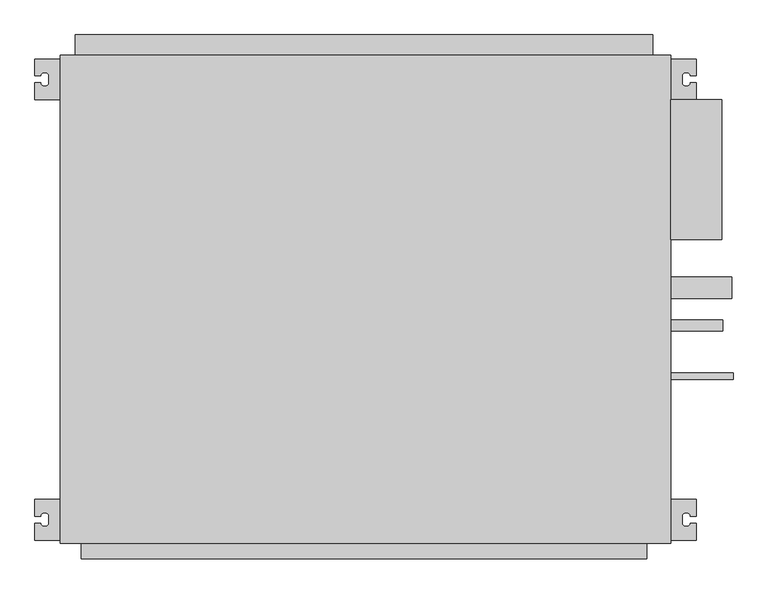
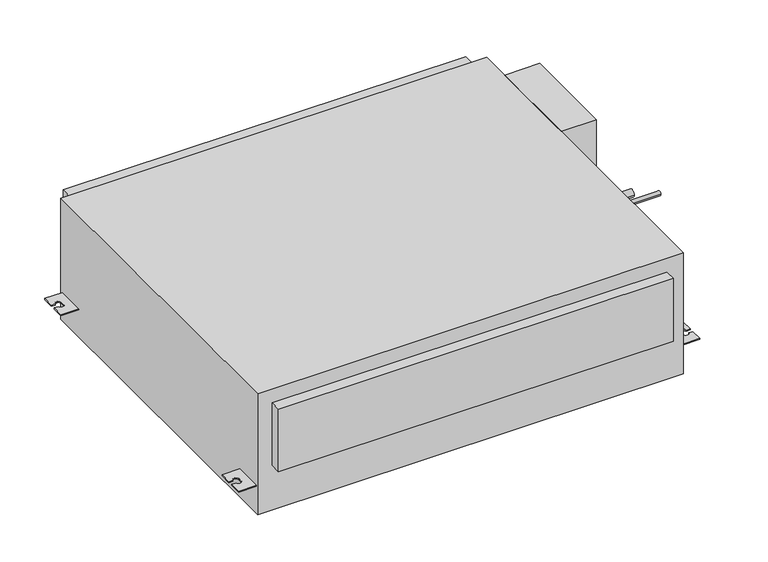
"""IFC4 building model written with IfcOpenShell, lengths in millimetres: proxy geometry."""

from ifc_helpers import new_model, si_unit, point, frame, frame_2d, origin, origin_with_axes, place, context, project, spatial, polyline, circle_curve, trimmed, segment, composite_curve, outline, extrude, source, transform, mapped, element, save


def mechanical_equipment_744d03b5(model_context):
    return source(origin(), model_context, "Body", "SweptSolid", [
        extrude(outline(polyline([(450.0, -65.5), (525.0, -65.5), (525.0, -272.3), (450.0, -272.3), (450.0, -65.5)])), origin_with_axes(), (0.0, 0.0, 1.0), 270.0),
        extrude(outline(composite_curve([segment(trimmed(circle_curve(frame_2d((-343.0, 22.0)), 16.0), [point((-359.0, 22.0))], [point((-327.0, 22.0))], False, "CARTESIAN"), True, "CONTINUOUS"), segment(trimmed(circle_curve(frame_2d((-343.0, 22.0)), 16.0), [point((-327.0, 22.0))], [point((-359.0, 22.0))], False, "CARTESIAN"), True, "CONTINUOUS")], self_intersect=False)), frame((450.0, 0.0, 0.0), z_axis=(1.0, 0.0, 0.0), x_axis=(0.0, 1.0, 0.0)), (0.0, 0.0, 1.0), 90.0),
        extrude(outline(composite_curve([segment(trimmed(circle_curve(frame_2d((-399.0, 182.0)), 7.94), [point((-406.94, 182.0))], [point((-391.06, 182.0))], False, "CARTESIAN"), True, "CONTINUOUS"), segment(trimmed(circle_curve(frame_2d((-399.0, 182.0)), 7.94), [point((-391.06, 182.0))], [point((-406.94, 182.0))], False, "CARTESIAN"), True, "CONTINUOUS")], self_intersect=False)), frame((450.0, 0.0, 0.0), z_axis=(1.0, 0.0, 0.0), x_axis=(0.0, 1.0, 0.0)), (0.0, 0.0, 1.0), 77.0),
        extrude(outline(composite_curve([segment(trimmed(circle_curve(frame_2d((-474.0, 222.0)), 4.765), [point((-478.765, 222.0))], [point((-469.235, 222.0))], False, "CARTESIAN"), True, "CONTINUOUS"), segment(trimmed(circle_curve(frame_2d((-474.0, 222.0)), 4.765), [point((-469.235, 222.0))], [point((-478.765, 222.0))], False, "CARTESIAN"), True, "CONTINUOUS")], self_intersect=False)), frame((450.0, 0.0, 0.0), z_axis=(1.0, 0.0, 0.0), x_axis=(0.0, 1.0, 0.0)), (0.0, 0.0, 1.0), 92.0),
        extrude(outline(composite_curve([segment(polyline([(-450.0, -5.5), (-450.0, -65.5), (-487.5, -65.5), (-487.5, -40.5), (-479.0, -40.5)]), True, "CONTINUOUS"), segment(trimmed(circle_curve(frame_2d((-474.0, -40.5)), 5.0), [point((-479.0, -40.5))], [point((-474.0, -45.5))], True, "CARTESIAN"), True, "CONTINUOUS"), segment(polyline([(-474.0, -45.5), (-472.0, -45.5)]), True, "CONTINUOUS"), segment(trimmed(circle_curve(frame_2d((-472.0, -40.5)), 5.0), [point((-472.0, -45.5))], [point((-467.0, -40.5))], True, "CARTESIAN"), True, "CONTINUOUS"), segment(polyline([(-467.0, -40.5), (-467.0, -30.5)]), True, "CONTINUOUS"), segment(trimmed(circle_curve(frame_2d((-472.0, -30.5)), 5.0), [point((-467.0, -30.5))], [point((-472.0, -25.5))], True, "CARTESIAN"), True, "CONTINUOUS"), segment(polyline([(-472.0, -25.5), (-474.0, -25.5)]), True, "CONTINUOUS"), segment(trimmed(circle_curve(frame_2d((-474.0, -30.5)), 5.0), [point((-474.0, -25.5))], [point((-479.0, -30.5))], True, "CARTESIAN"), True, "CONTINUOUS"), segment(polyline([(-479.0, -30.5), (-487.5, -30.5), (-487.5, -5.5), (-450.0, -5.5)]), True, "CONTINUOUS")], self_intersect=False)), frame((0.0, 0.0, 60.5), z_axis=(0.0, 0.0, 1.0), x_axis=(1.0, 0.0, 0.0)), (0.0, 0.0, 1.0), 2.5),
        extrude(outline(composite_curve([segment(polyline([(-450.0, -655.5), (-450.0, -715.5), (-487.5, -715.5), (-487.5, -690.5), (-479.0, -690.5)]), True, "CONTINUOUS"), segment(trimmed(circle_curve(frame_2d((-474.0, -690.5)), 5.0), [point((-479.0, -690.5))], [point((-474.0, -695.5))], True, "CARTESIAN"), True, "CONTINUOUS"), segment(polyline([(-474.0, -695.5), (-472.0, -695.5)]), True, "CONTINUOUS"), segment(trimmed(circle_curve(frame_2d((-472.0, -690.5)), 5.0), [point((-472.0, -695.5))], [point((-467.0, -690.5))], True, "CARTESIAN"), True, "CONTINUOUS"), segment(polyline([(-467.0, -690.5), (-467.0, -680.5)]), True, "CONTINUOUS"), segment(trimmed(circle_curve(frame_2d((-472.0, -680.5)), 5.0), [point((-467.0, -680.5))], [point((-472.0, -675.5))], True, "CARTESIAN"), True, "CONTINUOUS"), segment(polyline([(-472.0, -675.5), (-474.0, -675.5)]), True, "CONTINUOUS"), segment(trimmed(circle_curve(frame_2d((-474.0, -680.5)), 5.0), [point((-474.0, -675.5))], [point((-479.0, -680.5))], True, "CARTESIAN"), True, "CONTINUOUS"), segment(polyline([(-479.0, -680.5), (-487.5, -680.5), (-487.5, -655.5), (-450.0, -655.5)]), True, "CONTINUOUS")], self_intersect=False)), frame((0.0, 0.0, 60.5), z_axis=(0.0, 0.0, 1.0), x_axis=(1.0, 0.0, 0.0)), (0.0, 0.0, 1.0), 2.5),
        extrude(outline(composite_curve([segment(polyline([(450.0, -5.5), (487.5, -5.5), (487.5, -30.5), (479.0, -30.5)]), True, "CONTINUOUS"), segment(trimmed(circle_curve(frame_2d((474.0, -30.5)), 5.0), [point((479.0, -30.5))], [point((474.0, -25.5))], True, "CARTESIAN"), True, "CONTINUOUS"), segment(polyline([(474.0, -25.5), (472.0, -25.5)]), True, "CONTINUOUS"), segment(trimmed(circle_curve(frame_2d((472.0, -30.5)), 5.0), [point((472.0, -25.5))], [point((467.0, -30.5))], True, "CARTESIAN"), True, "CONTINUOUS"), segment(polyline([(467.0, -30.5), (467.0, -40.5)]), True, "CONTINUOUS"), segment(trimmed(circle_curve(frame_2d((472.0, -40.5)), 5.0), [point((467.0, -40.5))], [point((472.0, -45.5))], True, "CARTESIAN"), True, "CONTINUOUS"), segment(polyline([(472.0, -45.5), (474.0, -45.5)]), True, "CONTINUOUS"), segment(trimmed(circle_curve(frame_2d((474.0, -40.5)), 5.0), [point((474.0, -45.5))], [point((479.0, -40.5))], True, "CARTESIAN"), True, "CONTINUOUS"), segment(polyline([(479.0, -40.5), (487.5, -40.5), (487.5, -65.5), (450.0, -65.5), (450.0, -5.5)]), True, "CONTINUOUS")], self_intersect=False)), frame((0.0, 0.0, 60.5), z_axis=(0.0, 0.0, 1.0), x_axis=(1.0, 0.0, 0.0)), (0.0, 0.0, 1.0), 2.5),
        extrude(outline(composite_curve([segment(polyline([(450.0, -655.5), (487.5, -655.5), (487.5, -680.5), (479.0, -680.5)]), True, "CONTINUOUS"), segment(trimmed(circle_curve(frame_2d((474.0, -680.5)), 5.0), [point((479.0, -680.5))], [point((474.0, -675.5))], True, "CARTESIAN"), True, "CONTINUOUS"), segment(polyline([(474.0, -675.5), (472.0, -675.5)]), True, "CONTINUOUS"), segment(trimmed(circle_curve(frame_2d((472.0, -680.5)), 5.0), [point((472.0, -675.5))], [point((467.0, -680.5))], True, "CARTESIAN"), True, "CONTINUOUS"), segment(polyline([(467.0, -680.5), (467.0, -690.5)]), True, "CONTINUOUS"), segment(trimmed(circle_curve(frame_2d((472.0, -690.5)), 5.0), [point((467.0, -690.5))], [point((472.0, -695.5))], True, "CARTESIAN"), True, "CONTINUOUS"), segment(polyline([(472.0, -695.5), (474.0, -695.5)]), True, "CONTINUOUS"), segment(trimmed(circle_curve(frame_2d((474.0, -690.5)), 5.0), [point((474.0, -695.5))], [point((479.0, -690.5))], True, "CARTESIAN"), True, "CONTINUOUS"), segment(polyline([(479.0, -690.5), (487.5, -690.5), (487.5, -715.5), (450.0, -715.5), (450.0, -655.5)]), True, "CONTINUOUS")], self_intersect=False)), frame((0.0, 0.0, 60.5), z_axis=(0.0, 0.0, 1.0), x_axis=(1.0, 0.0, 0.0)), (0.0, 0.0, 1.0), 2.5),
        extrude(outline(polyline([(423.2, 30.0), (423.2, 0.0), (-427.8, 0.0), (-427.8, 30.0), (423.2, 30.0)])), frame((0.0, 0.0, 22.8), z_axis=(0.0, 0.0, 1.0), x_axis=(1.0, 0.0, 0.0)), (0.0, 0.0, 1.0), 240.2),
        extrude(outline(polyline([(415.0, -720.0), (415.0, -743.0), (-419.0, -743.0), (-419.0, -720.0), (415.0, -720.0)])), frame((0.0, 0.0, 99.0), z_axis=(0.0, 0.0, 1.0), x_axis=(1.0, 0.0, 0.0)), (0.0, 0.0, 1.0), 140.0),
        extrude(outline(polyline([(450.0, -720.0), (-450.0, -720.0), (-450.0, 0.0), (450.0, 0.0), (450.0, -720.0)])), origin_with_axes(), (0.0, 0.0, 1.0), 270.0),
    ])


if __name__ == "__main__":
    model = new_model("IFC4")
    model_context = context("Model", 3, world=origin())
    ifc_project = project(units=[si_unit("LENGTHUNIT", "METRE", prefix="MILLI")], contexts=[model_context])
    site = spatial("IfcSite", under=ifc_project)
    building = spatial("IfcBuilding", under=site)
    placement = place(None, origin())
    mechanical_equipment_shape = mechanical_equipment_744d03b5(model_context)
    element("IfcBuildingElementProxy", 1, Name="Mechanical Equipment", at=placement, inside=building, context=model_context, shape_type="MappedRepresentation", body=[
        mapped(mechanical_equipment_shape, transform((0.0, 0.0, 0.0), x_axis=(1.0, 0.0, 0.0), y_axis=(0.0, 1.0, 0.0), z_axis=(0.0, 0.0, 1.0))),
    ])
    save(model, "model.ifc")
